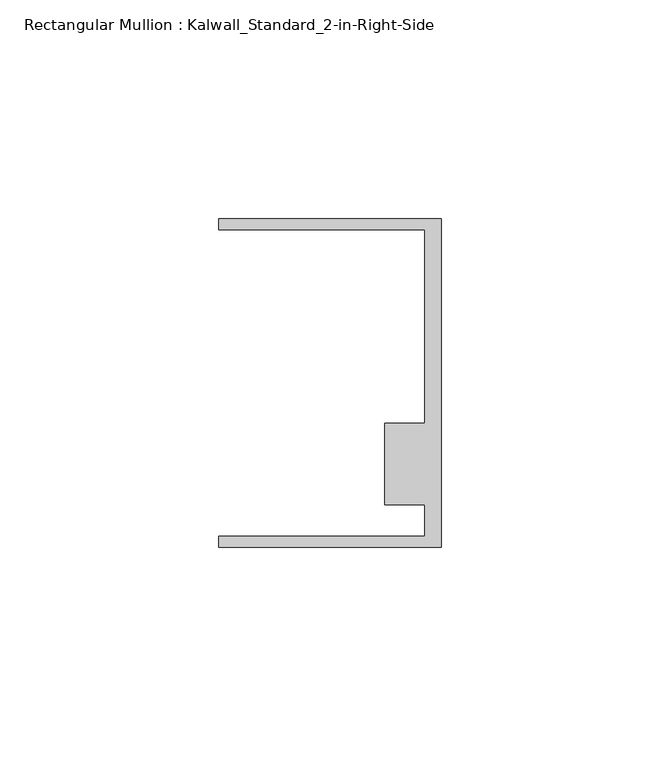
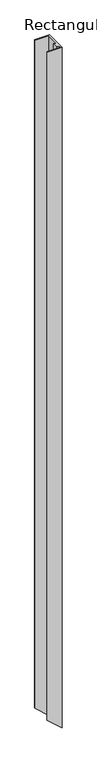
"""IFC4 building model written with IfcOpenShell, lengths in millimetres: member geometry, Rectangular Mullion : Kalwall_Standard_2-in-Right-Side."""

from ifc_helpers import new_model, si_unit, origin, place, context, project, spatial, faceted_brep, source, transform, mapped, element, save


def rectangular_mullion_kalwall_standard_2_in_right_side_b05d90f5(model_context):
    return source(origin(), model_context, "Body", "Brep", [
        faceted_brep([(0.0, -37.5776386, 0.0), (0.0, 37.5023614, 0.0), (-50.8, 37.5023614, 0.0), (-50.8, 34.9623614, 0.0), (-3.7084, 34.9623614, 0.0), (-3.7084, -9.1879886, 0.0), (-12.8272539, -9.1879886, 0.0), (-12.8272539, -27.8888568, 0.0), (-3.7084, -27.8888568, 0.0), (-3.7084, -35.0376386, 0.0), (-50.8, -35.0376386, 0.0), (-50.8, -37.5776386, 0.0), (0.0, -37.5776386, -2489.1287217), (0.0, 37.5023614, -2489.1287217), (-50.8, 37.5023614, -2443.8178591), (-50.8, 34.9623614, -2443.8178591), (-3.7084, 34.9623614, -2485.8210287), (-3.7084, -9.1879886, -2485.8210287), (-12.8272539, -9.1879886, -2477.6875024), (-12.8272539, -27.8888568, -2477.6875024), (-3.7084, -27.8888568, -2485.8210287), (-3.7084, -35.0376386, -2485.8210287), (-50.8, -35.0376386, -2443.8178591), (-50.8, -37.5776386, -2443.8178591)], [[[0, 1, 2, 3, 4, 5, 6, 7, 8, 9, 10, 11]], [[1, 0, 12, 13]], [[2, 1, 13, 14]], [[3, 2, 14, 15]], [[4, 3, 15, 16]], [[5, 4, 16, 17]], [[6, 5, 17, 18]], [[7, 6, 18, 19]], [[8, 7, 19, 20]], [[9, 8, 20, 21]], [[10, 9, 21, 22]], [[11, 10, 22, 23]], [[0, 11, 23, 12]], [[12, 23, 22, 21, 20, 19, 18, 17, 16, 15, 14, 13]]]),
    ])


if __name__ == "__main__":
    model = new_model("IFC4")
    model_context = context("Model", 3, world=origin())
    ifc_project = project(units=[si_unit("LENGTHUNIT", "METRE", prefix="MILLI")], contexts=[model_context])
    site = spatial("IfcSite", under=ifc_project)
    building = spatial("IfcBuilding", under=site)
    placement = place(None, origin())
    rectangular_mullion_kalwall_standard_2_in_right_side_shape = rectangular_mullion_kalwall_standard_2_in_right_side_b05d90f5(model_context)
    element("IfcMember", 1, ObjectType="Rectangular Mullion : Kalwall_Standard_2-in-Right-Side", at=placement, inside=building, context=model_context, shape_type="MappedRepresentation", body=[
        mapped(rectangular_mullion_kalwall_standard_2_in_right_side_shape, transform((0.0, 0.0, 0.0), x_axis=(1.0, 0.0, 0.0), y_axis=(0.0, 1.0, 0.0), z_axis=(0.0, 0.0, 1.0))),
    ])
    save(model, "model.ifc")
